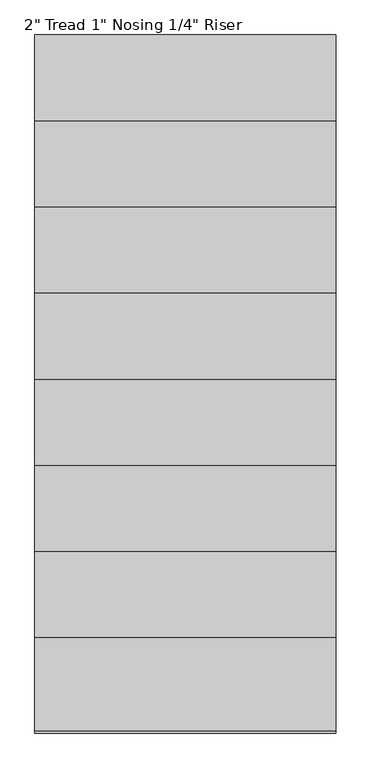
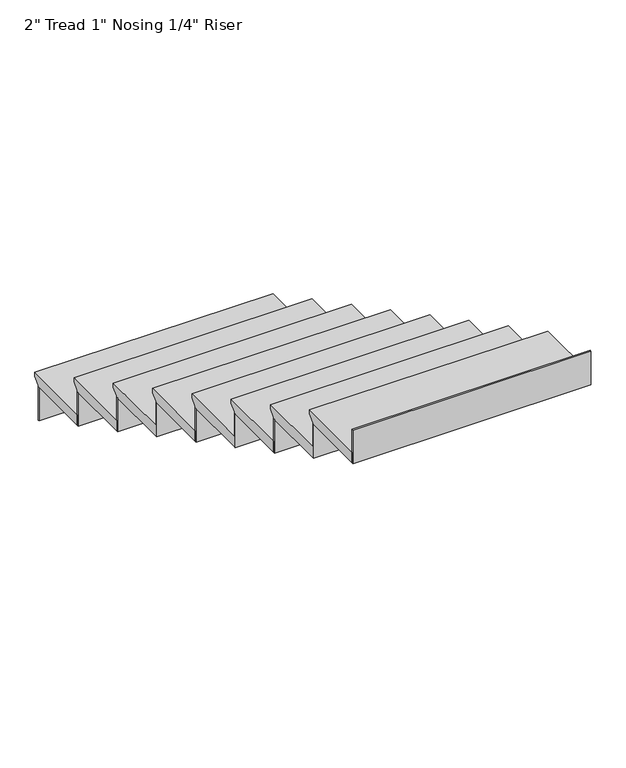
"""IFC4 building model written with IfcOpenShell, lengths in millimetres: stair flight geometry."""

from ifc_helpers import new_model, si_unit, frame, origin, place, context, project, spatial, polyline, outline, extrude, source, transform, mapped, element, save


def stair_flight_63e47e12(model_context):
    return source(origin(), model_context, "Body", "SweptSolid", [
        extrude(outline(polyline([(2139.2295992, 1594.5555556), (2469.4295992, 1594.5555556), (2469.4295992, 1575.5055556), (2444.0295992, 1550.1055556), (2444.0295992, 1543.7555556), (2139.2295992, 1543.7555556), (2139.2295992, 1594.5555556)])), frame((38164.6458251, 0.0, 0.0), z_axis=(1.0, 0.0, 0.0), x_axis=(0.0, 1.0, 0.0)), (0.0, 0.0, 1.0), 1066.8),
        extrude(outline(polyline([(38164.6458251, 2437.6795992), (38164.6458251, 2444.0295992), (39231.4458251, 2444.0295992), (39231.4458251, 2437.6795992), (38164.6458251, 2437.6795992)])), frame((0.0, 0.0, 1384.3), z_axis=(0.0, 0.0, 1.0), x_axis=(1.0, 0.0, 0.0)), (0.0, 0.0, 1.0), 159.4555556),
        extrude(outline(polyline([(38164.6458251, 2132.8795992), (38164.6458251, 2139.2295992), (39231.4458251, 2139.2295992), (39231.4458251, 2132.8795992), (38164.6458251, 2132.8795992)])), frame((0.0, 0.0, 1543.7555556), z_axis=(0.0, 0.0, 1.0), x_axis=(1.0, 0.0, 0.0)), (0.0, 0.0, 1.0), 159.4555556),
        extrude(outline(polyline([(1834.4295992, 1754.0111111), (2164.6295992, 1754.0111111), (2164.6295992, 1734.9611111), (2139.2295992, 1709.5611111), (2139.2295992, 1703.2111111), (1834.4295992, 1703.2111111), (1834.4295992, 1754.0111111)])), frame((38164.6458251, 0.0, 0.0), z_axis=(1.0, 0.0, 0.0), x_axis=(0.0, 1.0, 0.0)), (0.0, 0.0, 1.0), 1066.8),
        extrude(outline(polyline([(38164.6458251, 1828.0795992), (38164.6458251, 1834.4295992), (39231.4458251, 1834.4295992), (39231.4458251, 1828.0795992), (38164.6458251, 1828.0795992)])), frame((0.0, 0.0, 1703.2111111), z_axis=(0.0, 0.0, 1.0), x_axis=(1.0, 0.0, 0.0)), (0.0, 0.0, 1.0), 159.4555556),
        extrude(outline(polyline([(1529.6295992, 1913.4666667), (1859.8295992, 1913.4666667), (1859.8295992, 1894.4166667), (1834.4295992, 1869.0166667), (1834.4295992, 1862.6666667), (1529.6295992, 1862.6666667), (1529.6295992, 1913.4666667)])), frame((38164.6458251, 0.0, 0.0), z_axis=(1.0, 0.0, 0.0), x_axis=(0.0, 1.0, 0.0)), (0.0, 0.0, 1.0), 1066.8),
        extrude(outline(polyline([(38164.6458251, 1523.2795992), (38164.6458251, 1529.6295992), (39231.4458251, 1529.6295992), (39231.4458251, 1523.2795992), (38164.6458251, 1523.2795992)])), frame((0.0, 0.0, 1862.6666667), z_axis=(0.0, 0.0, 1.0), x_axis=(1.0, 0.0, 0.0)), (0.0, 0.0, 1.0), 159.4555556),
        extrude(outline(polyline([(1224.8295992, 2072.9222222), (1555.0295992, 2072.9222222), (1555.0295992, 2053.8722222), (1529.6295992, 2028.4722222), (1529.6295992, 2022.1222222), (1224.8295992, 2022.1222222), (1224.8295992, 2072.9222222)])), frame((38164.6458251, 0.0, 0.0), z_axis=(1.0, 0.0, 0.0), x_axis=(0.0, 1.0, 0.0)), (0.0, 0.0, 1.0), 1066.8),
        extrude(outline(polyline([(38164.6458251, 1218.4795992), (38164.6458251, 1224.8295992), (39231.4458251, 1224.8295992), (39231.4458251, 1218.4795992), (38164.6458251, 1218.4795992)])), frame((0.0, 0.0, 2022.1222222), z_axis=(0.0, 0.0, 1.0), x_axis=(1.0, 0.0, 0.0)), (0.0, 0.0, 1.0), 159.4555556),
        extrude(outline(polyline([(920.0295992, 2232.3777778), (1250.2295992, 2232.3777778), (1250.2295992, 2213.3277778), (1224.8295992, 2187.9277778), (1224.8295992, 2181.5777778), (920.0295992, 2181.5777778), (920.0295992, 2232.3777778)])), frame((38164.6458251, 0.0, 0.0), z_axis=(1.0, 0.0, 0.0), x_axis=(0.0, 1.0, 0.0)), (0.0, 0.0, 1.0), 1066.8),
        extrude(outline(polyline([(38164.6458251, 913.6795992), (38164.6458251, 920.0295992), (39231.4458251, 920.0295992), (39231.4458251, 913.6795992), (38164.6458251, 913.6795992)])), frame((0.0, 0.0, 2181.5777778), z_axis=(0.0, 0.0, 1.0), x_axis=(1.0, 0.0, 0.0)), (0.0, 0.0, 1.0), 159.4555556),
        extrude(outline(polyline([(615.2295992, 2391.8333333), (945.4295992, 2391.8333333), (945.4295992, 2372.7833333), (920.0295992, 2347.3833333), (920.0295992, 2341.0333333), (615.2295992, 2341.0333333), (615.2295992, 2391.8333333)])), frame((38164.6458251, 0.0, 0.0), z_axis=(1.0, 0.0, 0.0), x_axis=(0.0, 1.0, 0.0)), (0.0, 0.0, 1.0), 1066.8),
        extrude(outline(polyline([(38164.6458251, 608.8795992), (38164.6458251, 615.2295992), (39231.4458251, 615.2295992), (39231.4458251, 608.8795992), (38164.6458251, 608.8795992)])), frame((0.0, 0.0, 2341.0333333), z_axis=(0.0, 0.0, 1.0), x_axis=(1.0, 0.0, 0.0)), (0.0, 0.0, 1.0), 159.4555556),
        extrude(outline(polyline([(310.4295992, 2551.2888889), (640.6295992, 2551.2888889), (640.6295992, 2532.2388889), (615.2295992, 2506.8388889), (615.2295992, 2500.4888889), (310.4295992, 2500.4888889), (310.4295992, 2551.2888889)])), frame((38164.6458251, 0.0, 0.0), z_axis=(1.0, 0.0, 0.0), x_axis=(0.0, 1.0, 0.0)), (0.0, 0.0, 1.0), 1066.8),
        extrude(outline(polyline([(38164.6458251, 304.0795992), (38164.6458251, 310.4295992), (39231.4458251, 310.4295992), (39231.4458251, 304.0795992), (38164.6458251, 304.0795992)])), frame((0.0, 0.0, 2500.4888889), z_axis=(0.0, 0.0, 1.0), x_axis=(1.0, 0.0, 0.0)), (0.0, 0.0, 1.0), 159.4555556),
        extrude(outline(polyline([(38164.6458251, -0.7204008), (38164.6458251, 5.6295992), (39231.4458251, 5.6295992), (39231.4458251, -0.7204008), (38164.6458251, -0.7204008)])), frame((0.0, 0.0, 2659.9444444), z_axis=(0.0, 0.0, 1.0), x_axis=(1.0, 0.0, 0.0)), (0.0, 0.0, 1.0), 159.4555556),
        extrude(outline(polyline([(5.6295992, 2710.7444444), (335.8295992, 2710.7444444), (335.8295992, 2691.6944444), (310.4295992, 2666.2944444), (310.4295992, 2659.9444444), (5.6295992, 2659.9444444), (5.6295992, 2710.7444444)])), frame((38164.6458251, 0.0, 0.0), z_axis=(1.0, 0.0, 0.0), x_axis=(0.0, 1.0, 0.0)), (0.0, 0.0, 1.0), 1066.8),
    ])


if __name__ == "__main__":
    model = new_model("IFC4")
    model_context = context("Model", 3, world=origin())
    ifc_project = project(units=[si_unit("LENGTHUNIT", "METRE", prefix="MILLI")], contexts=[model_context])
    site = spatial("IfcSite", under=ifc_project)
    building = spatial("IfcBuilding", under=site)
    placement = place(None, origin())
    stair_flight_shape = stair_flight_63e47e12(model_context)
    element("IfcStairFlight", 1, ObjectType="2\" Tread 1\" Nosing 1/4\" Riser", at=placement, inside=building, context=model_context, shape_type="MappedRepresentation", body=[
        mapped(stair_flight_shape, transform((0.0, 0.0, 0.0), x_axis=(1.0, 0.0, 0.0), y_axis=(0.0, 1.0, 0.0), z_axis=(0.0, 0.0, 1.0))),
    ])
    save(model, "model.ifc")
